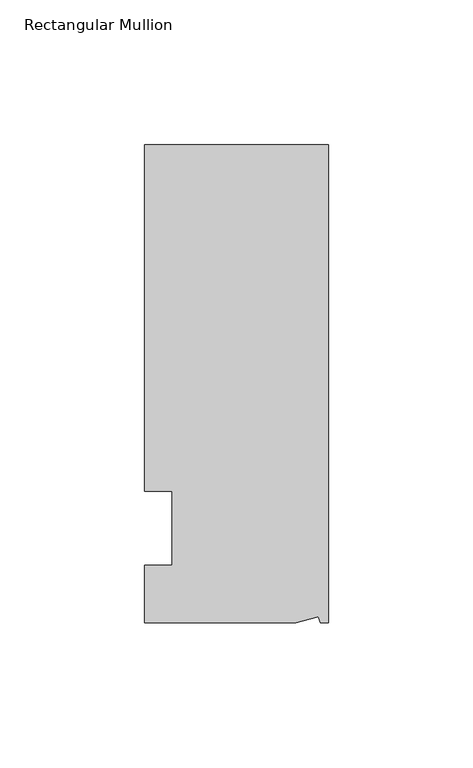
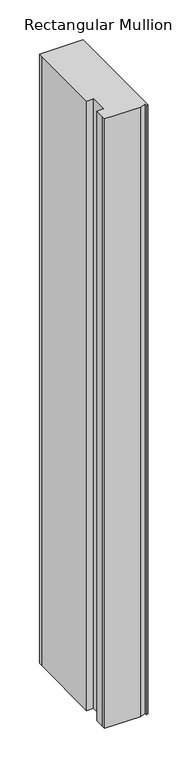
"""IFC4 building model written with IfcOpenShell, lengths in millimetres: member geometry, Rectangular Mullion."""

from ifc_helpers import new_model, si_unit, frame, origin, place, context, project, spatial, polyline, outline, extrude, source, transform, mapped, element, save


def rectangular_mullion_606960b0(model_context):
    return source(origin(), model_context, "Body", "SweptSolid", [
        extrude(outline(polyline([(0.0, 132.5561012), (0.0, -32.5438988), (-2.7616541, -32.5438988), (-3.3341886, -30.4622958), (-11.121847, -32.5438988), (-63.5, -32.5438988), (-63.5, -26.1938988), (-63.5, -12.5945801), (-53.975, -12.5945801), (-53.975, 12.8054199), (-63.5, 12.8054199), (-63.5, 126.2061012), (-63.5, 132.5561012), (0.0, 132.5561012)])), frame((0.0, 0.0, -939.8), z_axis=(0.0, 0.0, 1.0), x_axis=(1.0, 0.0, 0.0)), (0.0, 0.0, 1.0), 939.8),
    ])


if __name__ == "__main__":
    model = new_model("IFC4")
    model_context = context("Model", 3, world=origin())
    ifc_project = project(units=[si_unit("LENGTHUNIT", "METRE", prefix="MILLI")], contexts=[model_context])
    site = spatial("IfcSite", under=ifc_project)
    building = spatial("IfcBuilding", under=site)
    placement = place(None, origin())
    rectangular_mullion_shape = rectangular_mullion_606960b0(model_context)
    element("IfcMember", 1, ObjectType="Rectangular Mullion", at=placement, inside=building, context=model_context, shape_type="MappedRepresentation", body=[
        mapped(rectangular_mullion_shape, transform((0.0, 0.0, 0.0), x_axis=(1.0, 0.0, 0.0), y_axis=(0.0, 1.0, 0.0), z_axis=(0.0, 0.0, 1.0))),
    ])
    save(model, "model.ifc")
